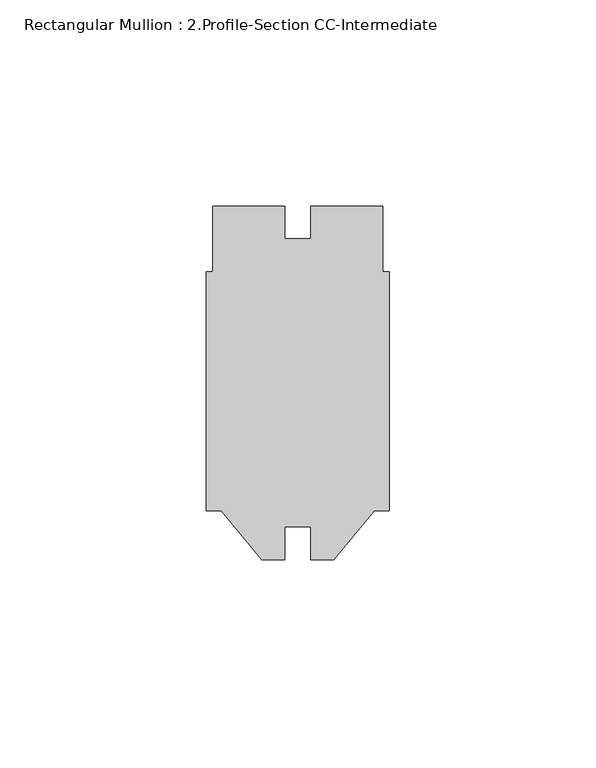
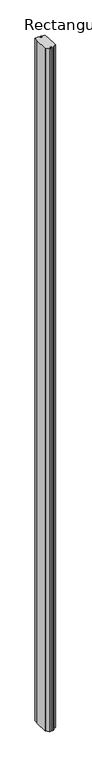
"""IFC4 building model written with IfcOpenShell, lengths in millimetres: member geometry, Rectangular Mullion : 2.Profile-Section CC-Intermediate."""

from ifc_helpers import new_model, si_unit, frame, origin, place, context, project, spatial, polyline, outline, extrude, source, transform, mapped, element, save


def rectangular_mullion_2_profile_section_cc_intermediate_ee50559f(model_context):
    return source(origin(), model_context, "Body", "SweptSolid", [
        extrude(outline(polyline([(-25.4, 44.2041981), (-25.4, 36.2793981), (-19.05, 36.2793981), (-19.05, 44.2041981), (-1.5875, 44.2041981), (-1.5875, 28.3291981), (0.0, 28.3291981), (0.0, -29.6082019), (-3.706164, -29.6082019), (-13.4747, -41.5144519), (-19.05, -41.5144519), (-19.05, -33.5706019), (-25.4, -33.5706019), (-25.4, -41.5144519), (-30.9753, -41.5144519), (-40.743836, -29.6082019), (-44.45, -29.6082019), (-44.45, 28.3291981), (-42.8625, 28.3291981), (-42.8625, 44.2041981), (-25.4, 44.2041981)])), frame((0.0, 0.0, -3048.0), z_axis=(0.0, 0.0, 1.0), x_axis=(1.0, 0.0, 0.0)), (0.0, 0.0, 1.0), 3048.0),
    ])


if __name__ == "__main__":
    model = new_model("IFC4")
    model_context = context("Model", 3, world=origin())
    ifc_project = project(units=[si_unit("LENGTHUNIT", "METRE", prefix="MILLI")], contexts=[model_context])
    site = spatial("IfcSite", under=ifc_project)
    building = spatial("IfcBuilding", under=site)
    placement = place(None, origin())
    rectangular_mullion_2_profile_section_cc_intermediate_shape = rectangular_mullion_2_profile_section_cc_intermediate_ee50559f(model_context)
    element("IfcMember", 1, ObjectType="Rectangular Mullion : 2.Profile-Section CC-Intermediate", at=placement, inside=building, context=model_context, shape_type="MappedRepresentation", body=[
        mapped(rectangular_mullion_2_profile_section_cc_intermediate_shape, transform((0.0, 0.0, 0.0), x_axis=(1.0, 0.0, 0.0), y_axis=(0.0, 1.0, 0.0), z_axis=(0.0, 0.0, 1.0))),
    ])
    save(model, "model.ifc")
